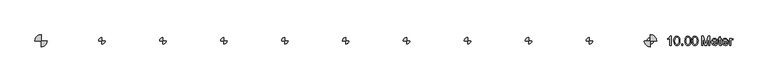
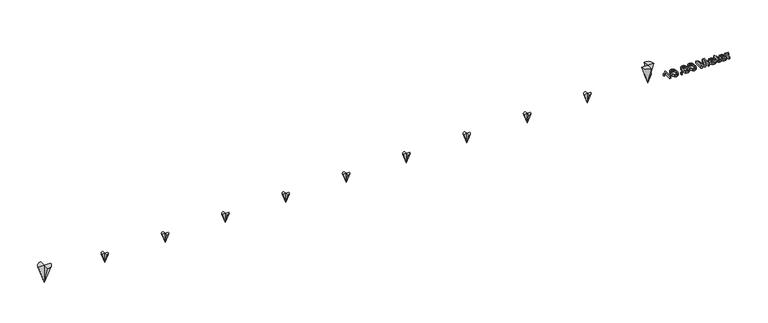
"""IFC4 building model written with IfcOpenShell, lengths in millimetres: proxy geometry."""

import ifcopenshell
import ifcopenshell.guid

model = None  # the IFC model being written
_history = None  # IfcOwnerHistory: only IFC2X3 demands one
_inside = {}  # id of a spatial element -> (the spatial element, [elements in it])
_under = {}  # id of a project, library or spatial element -> (it, [spatial elements below it])
_declared = {}  # id of a project -> (the project, [libraries it declares])
_typed = {}  # id of a type object -> (the type object, [elements of that type])
_made_of = {}  # id of a material, layer set ... -> (it, [elements and type objects made of it])


def new_model(schema):
    """Start an empty IFC model of exactly this schema.

    Asked for "IFC4X3", IfcOpenShell would pick the latest addendum, in which some entities
    have other attributes; the version numbers below select the first issue.
    IFC2X3 requires an IfcOwnerHistory on every rooted entity: one is made here for all.
    """
    global model, _history
    if schema == "IFC4X3":
        model = ifcopenshell.file(schema_version=(4, 3, 0, 0))
    else:
        model = ifcopenshell.file(schema=schema)
    _inside.clear()
    _under.clear()
    _declared.clear()
    _typed.clear()
    _made_of.clear()
    _history = None
    if model.schema == "IFC2X3":
        org = make("IfcOrganization", Name="unknown")
        user = make(
            "IfcPersonAndOrganization",
            ThePerson=make("IfcPerson", FamilyName="unknown"),
            TheOrganization=org,
        )
        app = make(
            "IfcApplication",
            ApplicationDeveloper=org,
            Version="unknown",
            ApplicationFullName="unknown",
            ApplicationIdentifier="unknown",
        )
        _history = make(
            "IfcOwnerHistory",
            OwningUser=user,
            OwningApplication=app,
            ChangeAction="ADDED",
            CreationDate=0,
        )
    return model


def make(cls, **values):
    """One entity of the class cls with the attributes given. An attribute that is None is left unset."""
    return model.create_entity(
        cls, **{name: value for name, value in values.items() if value is not None}
    )


def rooted(cls, **values):
    """An entity with a GlobalId (a new one), such as an element, a storey or a relation."""
    return make(cls, GlobalId=ifcopenshell.guid.new(), OwnerHistory=_history, **values)


def si_unit(unit_type, name, prefix=None):
    """IfcSIUnit, for example si_unit("LENGTHUNIT", "METRE", prefix="MILLI")."""
    return make("IfcSIUnit", UnitType=unit_type, Prefix=prefix, Name=name)


def assignment(units):
    """IfcUnitAssignment: the units of a project."""
    return None if units is None else make("IfcUnitAssignment", Units=units)


def point(xyz):
    """IfcCartesianPoint."""
    return None if xyz is None else make("IfcCartesianPoint", Coordinates=xyz)


def direction(xyz):
    """IfcDirection."""
    return None if xyz is None else make("IfcDirection", DirectionRatios=xyz)


def frame(location, z_axis=None, x_axis=None):
    """IfcAxis2Placement3D, a coordinate frame: its origin and axes. An axis left out is left unset."""
    return make(
        "IfcAxis2Placement3D",
        Location=point(location),
        Axis=direction(z_axis),
        RefDirection=direction(x_axis),
    )


def origin():
    """The frame at (0, 0, 0) with its axes left unset."""
    return frame((0.0, 0.0, 0.0))


def origin_with_axes():
    """The frame at (0, 0, 0) with the z axis (0, 0, 1) and the x axis (1, 0, 0) written out."""
    return frame((0.0, 0.0, 0.0), z_axis=(0.0, 0.0, 1.0), x_axis=(1.0, 0.0, 0.0))


def place(relative_to, where):
    """IfcLocalPlacement: puts the frame where relative to a parent placement (None: the world)."""
    return make(
        "IfcLocalPlacement", PlacementRelTo=relative_to, RelativePlacement=where
    )


def context(
    kind, dimensions, precision=None, world=None, true_north=None, identifier=None
):
    """IfcGeometricRepresentationContext, for example the 3D "Model" context."""
    return make(
        "IfcGeometricRepresentationContext",
        ContextIdentifier=identifier,
        ContextType=kind,
        CoordinateSpaceDimension=dimensions,
        Precision=precision,
        WorldCoordinateSystem=world,
        TrueNorth=true_north,
    )


def project(units=None, contexts=None):
    """IfcProject with its units and contexts."""
    return rooted(
        "IfcProject",
        Name="project",
        RepresentationContexts=contexts,
        UnitsInContext=assignment(units),
    )


def spatial(cls, under=None, at=None, **own):
    """A site, building, storey or space (cls), placed at a placement, below another one or the project."""
    s = rooted(cls, ObjectPlacement=at, **own)
    if under is not None:
        _under.setdefault(under.id(), (under, []))[1].append(s)
    return s


def polyline(points):
    """IfcPolyline through the points."""
    return make("IfcPolyline", Points=[point(p) for p in points])


def circle_curve(where, radius):
    """IfcCircle in the frame where."""
    return make("IfcCircle", Position=where, Radius=radius)


def outline(outer, holes=None, kind="AREA"):
    """IfcArbitraryClosedProfileDef: a profile drawn as a closed curve; with holes, ...WithVoids."""
    if holes is None:
        return make("IfcArbitraryClosedProfileDef", ProfileType=kind, OuterCurve=outer)
    return make(
        "IfcArbitraryProfileDefWithVoids",
        ProfileType=kind,
        OuterCurve=outer,
        InnerCurves=holes,
    )


def extrude(swept, where, along, depth):
    """IfcExtrudedAreaSolid: the profile swept, set in the frame where, extruded along a direction by depth."""
    return make(
        "IfcExtrudedAreaSolid",
        SweptArea=swept,
        Position=where,
        ExtrudedDirection=direction(along),
        Depth=depth,
    )


def shape(context_of_items, identifier, shape_type, items):
    """IfcShapeRepresentation: the items that make up one representation, for example the "Body"."""
    return make(
        "IfcShapeRepresentation",
        ContextOfItems=context_of_items,
        RepresentationIdentifier=identifier,
        RepresentationType=shape_type,
        Items=items,
    )


def source(mapping_origin, context_of_items, identifier, shape_type, items):
    """IfcRepresentationMap: a shape defined once, which mapped items show again and again."""
    return make(
        "IfcRepresentationMap",
        MappingOrigin=mapping_origin,
        MappedRepresentation=shape(context_of_items, identifier, shape_type, items),
    )


def transform(
    local_origin,
    x_axis=None,
    y_axis=None,
    z_axis=None,
    scale=None,
    scale2=None,
    scale3=None,
    uniform=True,
):
    """IfcCartesianTransformationOperator3D, or its non-uniform kind. x_axis, y_axis, z_axis: its Axis1, 2, 3."""
    if uniform:
        return make(
            "IfcCartesianTransformationOperator3D",
            Axis1=direction(x_axis),
            Axis2=direction(y_axis),
            LocalOrigin=point(local_origin),
            Scale=scale,
            Axis3=direction(z_axis),
        )
    return make(
        "IfcCartesianTransformationOperator3DnonUniform",
        Axis1=direction(x_axis),
        Axis2=direction(y_axis),
        LocalOrigin=point(local_origin),
        Scale=scale,
        Axis3=direction(z_axis),
        Scale2=scale2,
        Scale3=scale3,
    )


def mapped(mapping_source, mapping_target):
    """IfcMappedItem: shows the shape of a source again, moved by a transform."""
    return make(
        "IfcMappedItem", MappingSource=mapping_source, MappingTarget=mapping_target
    )


def made_of(thing, what):
    """Note that an element or type object is made of a material, layer set ...; save() writes the relation."""
    if what is not None:
        _made_of.setdefault(what.id(), (what, []))[1].append(thing)
    return thing


def element(
    cls,
    number,
    at=None,
    inside=None,
    cuts=None,
    type_object=None,
    material=None,
    context=None,
    identifier="Body",
    shape_type=None,
    held_by="IfcProductDefinitionShape",
    body=None,
    shapes=None,
    **own,
):
    """One element of the class cls, such as IfcWall. Its Tag is "e" and its number.

    at: its placement. inside: the storey or other place that contains it. cuts: it is an
    opening in that element (IfcRelVoidsElement). A single representation is given by context,
    identifier, shape_type and body (its items); several are given by shapes. held_by: the class
    of the entity that holds the representations. save() writes the other relations.
    """
    e = rooted(cls, Tag="e%d" % number, ObjectPlacement=at, **own)
    if body is not None:
        shapes = [shape(context, identifier, shape_type, body)]
    if shapes is not None:
        e.Representation = make(held_by, Representations=shapes)
    if inside is not None:
        _inside.setdefault(inside.id(), (inside, []))[1].append(e)
    if cuts is not None:
        rooted(
            "IfcRelVoidsElement", RelatingBuildingElement=cuts, RelatedOpeningElement=e
        )
    if type_object is not None:
        _typed.setdefault(type_object.id(), (type_object, []))[1].append(e)
    return made_of(e, material)


def aggregate(whole, parts):
    """IfcRelAggregates: a whole, such as a stair, and the parts it consists of."""
    return rooted("IfcRelAggregates", RelatingObject=whole, RelatedObjects=parts)


def save(model, path):
    """Write the relations noted so far, then the file.

    IfcRelAggregates (storeys below a building ...), IfcRelContainedInSpatialStructure (elements
    in a storey), IfcRelDefinesByType, IfcRelAssociatesMaterial and IfcRelDeclares: one each for
    every whole, place, type object, material and project.
    """
    for whole, parts in _under.values():
        aggregate(whole, parts)
    for where, things in _inside.values():
        rooted(
            "IfcRelContainedInSpatialStructure",
            RelatedElements=things,
            RelatingStructure=where,
        )
    for kind, things in _typed.values():
        rooted("IfcRelDefinesByType", RelatedObjects=things, RelatingType=kind)
    for what, things in _made_of.values():
        rooted("IfcRelAssociatesMaterial", RelatedObjects=things, RelatingMaterial=what)
    for by, libraries in _declared.values():
        rooted("IfcRelDeclares", RelatingContext=by, RelatedDefinitions=libraries)
    model.write(path)


def plane_surface(at):
    """IfcPlane: the flat surface through the origin of the frame at, square to its z axis."""
    return make("IfcPlane", Position=at)


def revolved_surface(curve, axis_point, axis_direction):
    """IfcSurfaceOfRevolution: the curve turned about the line through axis_point along axis_direction."""
    return make(
        "IfcSurfaceOfRevolution",
        SweptCurve=make("IfcArbitraryOpenProfileDef", ProfileType="CURVE", Curve=curve),
        AxisPosition=make("IfcAxis1Placement", Location=point(axis_point), Axis=direction(axis_direction)),
    )


def advanced_brep(points, edges, surfaces, faces):
    """IfcAdvancedBrep: a solid bounded by faces that lie on surfaces and meet in shared edges.

    An edge is (start, end): straight between two places in points (the first is 0);
    or (start, end, curve); or (start, end, curve, False) where it runs against its curve.
    A face is (place in surfaces, loops), or (place, loops, False) where it looks against
    its surface's normal. A loop lists edges by number (the first is 1), with a minus sign
    where the edge is run from its end to its start. The first loop is the outer one.
    """
    corners = [point(p) for p in points]
    vertices = [make("IfcVertexPoint", VertexGeometry=c) for c in corners]
    made = []
    for start, end, *more in edges:
        made.append(
            make(
                "IfcEdgeCurve",
                EdgeStart=vertices[start],
                EdgeEnd=vertices[end],
                EdgeGeometry=more[0] if more else make("IfcPolyline", Points=[corners[start], corners[end]]),
                SameSense=more[1] if len(more) > 1 else True,
            )
        )
    hull = []
    for where, loops, *sense in faces:
        bounds = []
        for j, loop in enumerate(loops):
            ring = [make("IfcOrientedEdge", EdgeElement=made[abs(k) - 1], Orientation=k > 0) for k in loop]
            bounds.append(
                make(
                    "IfcFaceOuterBound" if j == 0 else "IfcFaceBound",
                    Bound=make("IfcEdgeLoop", EdgeList=ring),
                    Orientation=True,
                )
            )
        hull.append(make("IfcAdvancedFace", Bounds=bounds, FaceSurface=surfaces[where], SameSense=sense[0] if sense else True))
    return make("IfcAdvancedBrep", Outer=make("IfcClosedShell", CfsFaces=hull))


def generic_models_77768164(model_context):
    return source(origin(), model_context, "Body", "SolidModel", [
        advanced_brep(
        [(9946.9713765, 0.0, 159.0858704), (10000.0, 53.0286235, 159.0858704), (10000.0, 0.0, 0.0), (10053.0286235, 0.0, 159.0858704), (10000.0, -53.0286235, 159.0858704), (10000.0, 0.0, 159.0858704)],
        [
            (0, 1, circle_curve(frame((10000.0, 0.0, 159.0858704), z_axis=(0.0, 0.0, -1.0), x_axis=(1.0, 0.0, 0.0)), 53.0286235)),
            (1, 2),
            (2, 0),
            (2, 3),
            (3, 4, circle_curve(frame((10000.0, 0.0, 159.0858704), z_axis=(0.0, 0.0, -1.0), x_axis=(1.0, 0.0, 0.0)), 53.0286235)),
            (4, 2),
            (0, 5),
            (5, 1),
            (3, 5),
            (5, 4),
            (5, 2),
            (5, 2),
        ],
        [
            revolved_surface(polyline([(10000.0, 0.0, 0.0), (10053.0286235, 0.0, 159.0858704)]), (10000.0, 0.0, 300.0), (0.0, 0.0, 1.0)),
            plane_surface(frame((10000.0, 0.0, 159.0858704), z_axis=(0.0, 0.0, 1.0), x_axis=(1.0, 0.0, 0.0))),
            plane_surface(frame((10000.0, 120.0, 345.9090809), z_axis=(1.0, 0.0, 0.0), x_axis=(0.0, 0.0, -1.0))),
            plane_surface(frame((10000.0, 0.0, 345.9090809), z_axis=(0.0, 1.0, 0.0), x_axis=(0.0, 0.0, -1.0))),
            plane_surface(frame((10000.0, -120.0, 345.9090809), z_axis=(-1.0, 0.0, 0.0), x_axis=(0.0, 0.0, -1.0))),
            plane_surface(frame((10000.0, 0.0, 345.9090809), z_axis=(0.0, -1.0, 0.0), x_axis=(0.0, 0.0, -1.0))),
        ],
        [
            (0, [[1, 2, 3]]),
            (0, [[4, 5, 6]]),
            (1, [[-1, 7, 8]]),
            (1, [[9, 10, -5]]),
            (2, [[11, -2, -8]]),
            (3, [[-11, -9, -4]]),
            (4, [[12, -6, -10]]),
            (5, [[-12, -7, -3]]),
        ],
    ),
        advanced_brep(
        [(8946.9713765, 0.0, 159.0858704), (9000.0, 53.0286235, 159.0858704), (9000.0, 0.0, 0.0), (9053.0286235, 0.0, 159.0858704), (9000.0, -53.0286235, 159.0858704), (9000.0, 0.0, 159.0858704)],
        [
            (0, 1, circle_curve(frame((9000.0, 0.0, 159.0858704), z_axis=(0.0, 0.0, -1.0), x_axis=(1.0, 0.0, 0.0)), 53.0286235)),
            (1, 2),
            (2, 0),
            (2, 3),
            (3, 4, circle_curve(frame((9000.0, 0.0, 159.0858704), z_axis=(0.0, 0.0, -1.0), x_axis=(1.0, 0.0, 0.0)), 53.0286235)),
            (4, 2),
            (0, 5),
            (5, 1),
            (3, 5),
            (5, 4),
            (5, 2),
            (5, 2),
        ],
        [
            revolved_surface(polyline([(9000.0, 0.0, 0.0), (9053.0286235, 0.0, 159.0858704)]), (9000.0, 0.0, 300.0), (0.0, 0.0, 1.0)),
            plane_surface(frame((9000.0, 0.0, 159.0858704), z_axis=(0.0, 0.0, 1.0), x_axis=(1.0, 0.0, 0.0))),
            plane_surface(frame((9000.0, 120.0, 345.9090809), z_axis=(1.0, 0.0, 0.0), x_axis=(0.0, 0.0, -1.0))),
            plane_surface(frame((9000.0, 0.0, 345.9090809), z_axis=(0.0, 1.0, 0.0), x_axis=(0.0, 0.0, -1.0))),
            plane_surface(frame((9000.0, -120.0, 345.9090809), z_axis=(-1.0, 0.0, 0.0), x_axis=(0.0, 0.0, -1.0))),
            plane_surface(frame((9000.0, 0.0, 345.9090809), z_axis=(0.0, -1.0, 0.0), x_axis=(0.0, 0.0, -1.0))),
        ],
        [
            (0, [[1, 2, 3]]),
            (0, [[4, 5, 6]]),
            (1, [[-1, 7, 8]]),
            (1, [[9, 10, -5]]),
            (2, [[11, -2, -8]]),
            (3, [[-11, -9, -4]]),
            (4, [[12, -6, -10]]),
            (5, [[-12, -7, -3]]),
        ],
    ),
        advanced_brep(
        [(7946.9713765, 0.0, 159.0858704), (8000.0, 53.0286235, 159.0858704), (8000.0, 0.0, 0.0), (8053.0286235, 0.0, 159.0858704), (8000.0, -53.0286235, 159.0858704), (8000.0, 0.0, 159.0858704)],
        [
            (0, 1, circle_curve(frame((8000.0, 0.0, 159.0858704), z_axis=(0.0, 0.0, -1.0), x_axis=(1.0, 0.0, 0.0)), 53.0286235)),
            (1, 2),
            (2, 0),
            (2, 3),
            (3, 4, circle_curve(frame((8000.0, 0.0, 159.0858704), z_axis=(0.0, 0.0, -1.0), x_axis=(1.0, 0.0, 0.0)), 53.0286235)),
            (4, 2),
            (0, 5),
            (5, 1),
            (3, 5),
            (5, 4),
            (5, 2),
            (5, 2),
        ],
        [
            revolved_surface(polyline([(8000.0, 0.0, 0.0), (8053.0286235, 0.0, 159.0858704)]), (8000.0, 0.0, 300.0), (0.0, 0.0, 1.0)),
            plane_surface(frame((8000.0, 0.0, 159.0858704), z_axis=(0.0, 0.0, 1.0), x_axis=(1.0, 0.0, 0.0))),
            plane_surface(frame((8000.0, 120.0, 345.9090809), z_axis=(1.0, 0.0, 0.0), x_axis=(0.0, 0.0, -1.0))),
            plane_surface(frame((8000.0, 0.0, 345.9090809), z_axis=(0.0, 1.0, 0.0), x_axis=(0.0, 0.0, -1.0))),
            plane_surface(frame((8000.0, -120.0, 345.9090809), z_axis=(-1.0, 0.0, 0.0), x_axis=(0.0, 0.0, -1.0))),
            plane_surface(frame((8000.0, 0.0, 345.9090809), z_axis=(0.0, -1.0, 0.0), x_axis=(0.0, 0.0, -1.0))),
        ],
        [
            (0, [[1, 2, 3]]),
            (0, [[4, 5, 6]]),
            (1, [[-1, 7, 8]]),
            (1, [[9, 10, -5]]),
            (2, [[11, -2, -8]]),
            (3, [[-11, -9, -4]]),
            (4, [[12, -6, -10]]),
            (5, [[-12, -7, -3]]),
        ],
    ),
        advanced_brep(
        [(6946.9713765, 0.0, 159.0858704), (7000.0, 53.0286235, 159.0858704), (7000.0, 0.0, 0.0), (7053.0286235, 0.0, 159.0858704), (7000.0, -53.0286235, 159.0858704), (7000.0, 0.0, 159.0858704)],
        [
            (0, 1, circle_curve(frame((7000.0, 0.0, 159.0858704), z_axis=(0.0, 0.0, -1.0), x_axis=(1.0, 0.0, 0.0)), 53.0286235)),
            (1, 2),
            (2, 0),
            (2, 3),
            (3, 4, circle_curve(frame((7000.0, 0.0, 159.0858704), z_axis=(0.0, 0.0, -1.0), x_axis=(1.0, 0.0, 0.0)), 53.0286235)),
            (4, 2),
            (0, 5),
            (5, 1),
            (3, 5),
            (5, 4),
            (5, 2),
            (5, 2),
        ],
        [
            revolved_surface(polyline([(7000.0, 0.0, 0.0), (7053.0286235, 0.0, 159.0858704)]), (7000.0, 0.0, 300.0), (0.0, 0.0, 1.0)),
            plane_surface(frame((7000.0, 0.0, 159.0858704), z_axis=(0.0, 0.0, 1.0), x_axis=(1.0, 0.0, 0.0))),
            plane_surface(frame((7000.0, 120.0, 345.9090809), z_axis=(1.0, 0.0, 0.0), x_axis=(0.0, 0.0, -1.0))),
            plane_surface(frame((7000.0, 0.0, 345.9090809), z_axis=(0.0, 1.0, 0.0), x_axis=(0.0, 0.0, -1.0))),
            plane_surface(frame((7000.0, -120.0, 345.9090809), z_axis=(-1.0, 0.0, 0.0), x_axis=(0.0, 0.0, -1.0))),
            plane_surface(frame((7000.0, 0.0, 345.9090809), z_axis=(0.0, -1.0, 0.0), x_axis=(0.0, 0.0, -1.0))),
        ],
        [
            (0, [[1, 2, 3]]),
            (0, [[4, 5, 6]]),
            (1, [[-1, 7, 8]]),
            (1, [[9, 10, -5]]),
            (2, [[11, -2, -8]]),
            (3, [[-11, -9, -4]]),
            (4, [[12, -6, -10]]),
            (5, [[-12, -7, -3]]),
        ],
    ),
        advanced_brep(
        [(5946.9713765, 0.0, 159.0858704), (6000.0, 53.0286235, 159.0858704), (6000.0, 0.0, 0.0), (6053.0286235, 0.0, 159.0858704), (6000.0, -53.0286235, 159.0858704), (6000.0, 0.0, 159.0858704)],
        [
            (0, 1, circle_curve(frame((6000.0, 0.0, 159.0858704), z_axis=(0.0, 0.0, -1.0), x_axis=(1.0, 0.0, 0.0)), 53.0286235)),
            (1, 2),
            (2, 0),
            (2, 3),
            (3, 4, circle_curve(frame((6000.0, 0.0, 159.0858704), z_axis=(0.0, 0.0, -1.0), x_axis=(1.0, 0.0, 0.0)), 53.0286235)),
            (4, 2),
            (0, 5),
            (5, 1),
            (3, 5),
            (5, 4),
            (5, 2),
            (5, 2),
        ],
        [
            revolved_surface(polyline([(6000.0, 0.0, 0.0), (6053.0286235, 0.0, 159.0858704)]), (6000.0, 0.0, 300.0), (0.0, 0.0, 1.0)),
            plane_surface(frame((6000.0, 0.0, 159.0858704), z_axis=(0.0, 0.0, 1.0), x_axis=(1.0, 0.0, 0.0))),
            plane_surface(frame((6000.0, 120.0, 345.9090809), z_axis=(1.0, 0.0, 0.0), x_axis=(0.0, 0.0, -1.0))),
            plane_surface(frame((6000.0, 0.0, 345.9090809), z_axis=(0.0, 1.0, 0.0), x_axis=(0.0, 0.0, -1.0))),
            plane_surface(frame((6000.0, -120.0, 345.9090809), z_axis=(-1.0, 0.0, 0.0), x_axis=(0.0, 0.0, -1.0))),
            plane_surface(frame((6000.0, 0.0, 345.9090809), z_axis=(0.0, -1.0, 0.0), x_axis=(0.0, 0.0, -1.0))),
        ],
        [
            (0, [[1, 2, 3]]),
            (0, [[4, 5, 6]]),
            (1, [[-1, 7, 8]]),
            (1, [[9, 10, -5]]),
            (2, [[11, -2, -8]]),
            (3, [[-11, -9, -4]]),
            (4, [[12, -6, -10]]),
            (5, [[-12, -7, -3]]),
        ],
    ),
        advanced_brep(
        [(4946.9713765, 0.0, 159.0858704), (5000.0, 53.0286235, 159.0858704), (5000.0, 0.0, 0.0), (5053.0286235, 0.0, 159.0858704), (5000.0, -53.0286235, 159.0858704), (5000.0, 0.0, 159.0858704)],
        [
            (0, 1, circle_curve(frame((5000.0, 0.0, 159.0858704), z_axis=(0.0, 0.0, -1.0), x_axis=(1.0, 0.0, 0.0)), 53.0286235)),
            (1, 2),
            (2, 0),
            (2, 3),
            (3, 4, circle_curve(frame((5000.0, 0.0, 159.0858704), z_axis=(0.0, 0.0, -1.0), x_axis=(1.0, 0.0, 0.0)), 53.0286235)),
            (4, 2),
            (0, 5),
            (5, 1),
            (3, 5),
            (5, 4),
            (5, 2),
            (5, 2),
        ],
        [
            revolved_surface(polyline([(5000.0, 0.0, 0.0), (5053.0286235, 0.0, 159.0858704)]), (5000.0, 0.0, 300.0), (0.0, 0.0, 1.0)),
            plane_surface(frame((5000.0, 0.0, 159.0858704), z_axis=(0.0, 0.0, 1.0), x_axis=(1.0, 0.0, 0.0))),
            plane_surface(frame((5000.0, 120.0, 345.9090809), z_axis=(1.0, 0.0, 0.0), x_axis=(0.0, 0.0, -1.0))),
            plane_surface(frame((5000.0, 0.0, 345.9090809), z_axis=(0.0, 1.0, 0.0), x_axis=(0.0, 0.0, -1.0))),
            plane_surface(frame((5000.0, -120.0, 345.9090809), z_axis=(-1.0, 0.0, 0.0), x_axis=(0.0, 0.0, -1.0))),
            plane_surface(frame((5000.0, 0.0, 345.9090809), z_axis=(0.0, -1.0, 0.0), x_axis=(0.0, 0.0, -1.0))),
        ],
        [
            (0, [[1, 2, 3]]),
            (0, [[4, 5, 6]]),
            (1, [[-1, 7, 8]]),
            (1, [[9, 10, -5]]),
            (2, [[11, -2, -8]]),
            (3, [[-11, -9, -4]]),
            (4, [[12, -6, -10]]),
            (5, [[-12, -7, -3]]),
        ],
    ),
        advanced_brep(
        [(3946.9713765, 0.0, 159.0858704), (4000.0, 53.0286235, 159.0858704), (4000.0, 0.0, 0.0), (4053.0286235, 0.0, 159.0858704), (4000.0, -53.0286235, 159.0858704), (4000.0, 0.0, 159.0858704)],
        [
            (0, 1, circle_curve(frame((4000.0, 0.0, 159.0858704), z_axis=(0.0, 0.0, -1.0), x_axis=(1.0, 0.0, 0.0)), 53.0286235)),
            (1, 2),
            (2, 0),
            (2, 3),
            (3, 4, circle_curve(frame((4000.0, 0.0, 159.0858704), z_axis=(0.0, 0.0, -1.0), x_axis=(1.0, 0.0, 0.0)), 53.0286235)),
            (4, 2),
            (0, 5),
            (5, 1),
            (3, 5),
            (5, 4),
            (5, 2),
            (5, 2),
        ],
        [
            revolved_surface(polyline([(4000.0, 0.0, 0.0), (4053.0286235, 0.0, 159.0858704)]), (4000.0, 0.0, 300.0), (0.0, 0.0, 1.0)),
            plane_surface(frame((4000.0, 0.0, 159.0858704), z_axis=(0.0, 0.0, 1.0), x_axis=(1.0, 0.0, 0.0))),
            plane_surface(frame((4000.0, 120.0, 345.9090809), z_axis=(1.0, 0.0, 0.0), x_axis=(0.0, 0.0, -1.0))),
            plane_surface(frame((4000.0, 0.0, 345.9090809), z_axis=(0.0, 1.0, 0.0), x_axis=(0.0, 0.0, -1.0))),
            plane_surface(frame((4000.0, -120.0, 345.9090809), z_axis=(-1.0, 0.0, 0.0), x_axis=(0.0, 0.0, -1.0))),
            plane_surface(frame((4000.0, 0.0, 345.9090809), z_axis=(0.0, -1.0, 0.0), x_axis=(0.0, 0.0, -1.0))),
        ],
        [
            (0, [[1, 2, 3]]),
            (0, [[4, 5, 6]]),
            (1, [[-1, 7, 8]]),
            (1, [[9, 10, -5]]),
            (2, [[11, -2, -8]]),
            (3, [[-11, -9, -4]]),
            (4, [[12, -6, -10]]),
            (5, [[-12, -7, -3]]),
        ],
    ),
        advanced_brep(
        [(2946.9713765, 0.0, 159.0858704), (3000.0, 53.0286235, 159.0858704), (3000.0, 0.0, 0.0), (3053.0286235, 0.0, 159.0858704), (3000.0, -53.0286235, 159.0858704), (3000.0, 0.0, 159.0858704)],
        [
            (0, 1, circle_curve(frame((3000.0, 0.0, 159.0858704), z_axis=(0.0, 0.0, -1.0), x_axis=(1.0, 0.0, 0.0)), 53.0286235)),
            (1, 2),
            (2, 0),
            (2, 3),
            (3, 4, circle_curve(frame((3000.0, 0.0, 159.0858704), z_axis=(0.0, 0.0, -1.0), x_axis=(1.0, 0.0, 0.0)), 53.0286235)),
            (4, 2),
            (0, 5),
            (5, 1),
            (3, 5),
            (5, 4),
            (5, 2),
            (5, 2),
        ],
        [
            revolved_surface(polyline([(3000.0, 0.0, 0.0), (3053.0286235, 0.0, 159.0858704)]), (3000.0, 0.0, 300.0), (0.0, 0.0, 1.0)),
            plane_surface(frame((3000.0, 0.0, 159.0858704), z_axis=(0.0, 0.0, 1.0), x_axis=(1.0, 0.0, 0.0))),
            plane_surface(frame((3000.0, 120.0, 345.9090809), z_axis=(1.0, 0.0, 0.0), x_axis=(0.0, 0.0, -1.0))),
            plane_surface(frame((3000.0, 0.0, 345.9090809), z_axis=(0.0, 1.0, 0.0), x_axis=(0.0, 0.0, -1.0))),
            plane_surface(frame((3000.0, -120.0, 345.9090809), z_axis=(-1.0, 0.0, 0.0), x_axis=(0.0, 0.0, -1.0))),
            plane_surface(frame((3000.0, 0.0, 345.9090809), z_axis=(0.0, -1.0, 0.0), x_axis=(0.0, 0.0, -1.0))),
        ],
        [
            (0, [[1, 2, 3]]),
            (0, [[4, 5, 6]]),
            (1, [[-1, 7, 8]]),
            (1, [[9, 10, -5]]),
            (2, [[11, -2, -8]]),
            (3, [[-11, -9, -4]]),
            (4, [[12, -6, -10]]),
            (5, [[-12, -7, -3]]),
        ],
    ),
        advanced_brep(
        [(1946.9713765, 0.0, 159.0858704), (2000.0, 53.0286235, 159.0858704), (2000.0, 0.0, 0.0), (2053.0286235, 0.0, 159.0858704), (2000.0, -53.0286235, 159.0858704), (2000.0, 0.0, 159.0858704)],
        [
            (0, 1, circle_curve(frame((2000.0, 0.0, 159.0858704), z_axis=(0.0, 0.0, -1.0), x_axis=(1.0, 0.0, 0.0)), 53.0286235)),
            (1, 2),
            (2, 0),
            (2, 3),
            (3, 4, circle_curve(frame((2000.0, 0.0, 159.0858704), z_axis=(0.0, 0.0, -1.0), x_axis=(1.0, 0.0, 0.0)), 53.0286235)),
            (4, 2),
            (0, 5),
            (5, 1),
            (3, 5),
            (5, 4),
            (5, 2),
            (5, 2),
        ],
        [
            revolved_surface(polyline([(2000.0, 0.0, 0.0), (2053.0286235, 0.0, 159.0858704)]), (2000.0, 0.0, 300.0), (0.0, 0.0, 1.0)),
            plane_surface(frame((2000.0, 0.0, 159.0858704), z_axis=(0.0, 0.0, 1.0), x_axis=(1.0, 0.0, 0.0))),
            plane_surface(frame((2000.0, 120.0, 345.9090809), z_axis=(1.0, 0.0, 0.0), x_axis=(0.0, 0.0, -1.0))),
            plane_surface(frame((2000.0, 0.0, 345.9090809), z_axis=(0.0, 1.0, 0.0), x_axis=(0.0, 0.0, -1.0))),
            plane_surface(frame((2000.0, -120.0, 345.9090809), z_axis=(-1.0, 0.0, 0.0), x_axis=(0.0, 0.0, -1.0))),
            plane_surface(frame((2000.0, 0.0, 345.9090809), z_axis=(0.0, -1.0, 0.0), x_axis=(0.0, 0.0, -1.0))),
        ],
        [
            (0, [[1, 2, 3]]),
            (0, [[4, 5, 6]]),
            (1, [[-1, 7, 8]]),
            (1, [[9, 10, -5]]),
            (2, [[11, -2, -8]]),
            (3, [[-11, -9, -4]]),
            (4, [[12, -6, -10]]),
            (5, [[-12, -7, -3]]),
        ],
    ),
        advanced_brep(
        [(946.9713765, 0.0, 159.0858704), (1000.0, 53.0286235, 159.0858704), (1000.0, 0.0, 0.0), (1053.0286235, 0.0, 159.0858704), (1000.0, -53.0286235, 159.0858704), (1000.0, 0.0, 159.0858704)],
        [
            (0, 1, circle_curve(frame((1000.0, 0.0, 159.0858704), z_axis=(0.0, 0.0, -1.0), x_axis=(1.0, 0.0, 0.0)), 53.0286235)),
            (1, 2),
            (2, 0),
            (2, 3),
            (3, 4, circle_curve(frame((1000.0, 0.0, 159.0858704), z_axis=(0.0, 0.0, -1.0), x_axis=(1.0, 0.0, 0.0)), 53.0286235)),
            (4, 2),
            (0, 5),
            (5, 1),
            (3, 5),
            (5, 4),
            (5, 2),
            (5, 2),
        ],
        [
            revolved_surface(polyline([(1000.0, 0.0, 0.0), (1053.0286235, 0.0, 159.0858704)]), (1000.0, 0.0, 300.0), (0.0, 0.0, 1.0)),
            plane_surface(frame((1000.0, 0.0, 159.0858704), z_axis=(0.0, 0.0, 1.0), x_axis=(1.0, 0.0, 0.0))),
            plane_surface(frame((1000.0, 120.0, 345.9090809), z_axis=(1.0, 0.0, 0.0), x_axis=(0.0, 0.0, -1.0))),
            plane_surface(frame((1000.0, 0.0, 345.9090809), z_axis=(0.0, 1.0, 0.0), x_axis=(0.0, 0.0, -1.0))),
            plane_surface(frame((1000.0, -120.0, 345.9090809), z_axis=(-1.0, 0.0, 0.0), x_axis=(0.0, 0.0, -1.0))),
            plane_surface(frame((1000.0, 0.0, 345.9090809), z_axis=(0.0, -1.0, 0.0), x_axis=(0.0, 0.0, -1.0))),
        ],
        [
            (0, [[1, 2, 3]]),
            (0, [[4, 5, 6]]),
            (1, [[-1, 7, 8]]),
            (1, [[9, 10, -5]]),
            (2, [[11, -2, -8]]),
            (3, [[-11, -9, -4]]),
            (4, [[12, -6, -10]]),
            (5, [[-12, -7, -3]]),
        ],
    ),
        advanced_brep(
        [(10000.0, -100.0, 300.0), (9900.0, 0.0, 300.0), (10000.0, 0.0, 0.0), (10000.0, 100.0, 300.0), (10100.0, 0.0, 300.0), (10000.0, 0.0, 300.0)],
        [
            (0, 1, circle_curve(frame((10000.0, 0.0, 300.0), z_axis=(0.0, 0.0, -1.0), x_axis=(0.0, 1.0, 0.0)), 100.0)),
            (1, 2),
            (2, 0),
            (2, 3),
            (3, 4, circle_curve(frame((10000.0, 0.0, 300.0), z_axis=(0.0, 0.0, -1.0), x_axis=(0.0, 1.0, 0.0)), 100.0)),
            (4, 2),
            (0, 5),
            (5, 1),
            (3, 5),
            (5, 4),
            (5, 2),
            (5, 2),
        ],
        [
            revolved_surface(polyline([(10000.0, 0.0, 0.0), (10000.0, 100.0, 300.0)]), (10000.0, 0.0, 300.0), (0.0, 0.0, 1.0)),
            plane_surface(frame((10000.0, 0.0, 300.0), z_axis=(0.0, 0.0, 1.0), x_axis=(0.0, 1.0, 0.0))),
            plane_surface(frame((9880.0, 0.0, 345.9090809), z_axis=(0.0, 1.0, 0.0), x_axis=(0.0, 0.0, -1.0))),
            plane_surface(frame((10000.0, 0.0, 345.9090809), z_axis=(-1.0, 0.0, 0.0), x_axis=(0.0, 0.0, -1.0))),
            plane_surface(frame((10120.0, 0.0, 345.9090809), z_axis=(0.0, -1.0, 0.0), x_axis=(0.0, 0.0, -1.0))),
            plane_surface(frame((10000.0, 0.0, 345.9090809), z_axis=(1.0, 0.0, 0.0), x_axis=(0.0, 0.0, -1.0))),
        ],
        [
            (0, [[1, 2, 3]]),
            (0, [[4, 5, 6]]),
            (1, [[-1, 7, 8]]),
            (1, [[9, 10, -5]]),
            (2, [[11, -2, -8]]),
            (3, [[-11, -9, -4]]),
            (4, [[12, -6, -10]]),
            (5, [[-12, -7, -3]]),
        ],
    ),
        advanced_brep(
        [(-100.0, 0.0, 300.0), (0.0, 100.0, 300.0), (0.0, 0.0, 0.0), (100.0, 0.0, 300.0), (0.0, -100.0, 300.0), (0.0, 0.0, 300.0)],
        [
            (0, 1, circle_curve(frame((0.0, 0.0, 300.0), z_axis=(0.0, 0.0, -1.0), x_axis=(1.0, 0.0, 0.0)), 100.0)),
            (1, 2),
            (2, 0),
            (2, 3),
            (3, 4, circle_curve(frame((0.0, 0.0, 300.0), z_axis=(0.0, 0.0, -1.0), x_axis=(1.0, 0.0, 0.0)), 100.0)),
            (4, 2),
            (0, 5),
            (5, 1),
            (3, 5),
            (5, 4),
            (5, 2),
            (5, 2),
        ],
        [
            revolved_surface(polyline([(0.0, 0.0, 0.0), (100.0, 0.0, 300.0)]), (0.0, 0.0, 300.0), (0.0, 0.0, 1.0)),
            plane_surface(frame((0.0, 0.0, 300.0), z_axis=(0.0, 0.0, 1.0), x_axis=(1.0, 0.0, 0.0))),
            plane_surface(frame((0.0, 120.0, 345.9090809), z_axis=(1.0, 0.0, 0.0), x_axis=(0.0, 0.0, -1.0))),
            plane_surface(frame((0.0, 0.0, 345.9090809), z_axis=(0.0, 1.0, 0.0), x_axis=(0.0, 0.0, -1.0))),
            plane_surface(frame((0.0, -120.0, 345.9090809), z_axis=(-1.0, 0.0, 0.0), x_axis=(0.0, 0.0, -1.0))),
            plane_surface(frame((0.0, 0.0, 345.9090809), z_axis=(0.0, -1.0, 0.0), x_axis=(0.0, 0.0, -1.0))),
        ],
        [
            (0, [[1, 2, 3]]),
            (0, [[4, 5, 6]]),
            (1, [[-1, 7, 8]]),
            (1, [[9, 10, -5]]),
            (2, [[11, -2, -8]]),
            (3, [[-11, -9, -4]]),
            (4, [[12, -6, -10]]),
            (5, [[-12, -7, -3]]),
        ],
    ),
        extrude(outline(polyline([(10510.9927293, -75.0), (10510.9927293, -56.1644418), (10529.8282875, -56.1644418), (10529.8282875, -75.0), (10510.9927293, -75.0)])), origin_with_axes(), (0.0, 0.0, 1.0), 35.0),
        extrude(outline(polyline([(10566.5749502, -0.871778), (10567.9591062, 23.2474853), (10572.1115743, 42.4831152), (10578.9909676, 57.1294171), (10588.5558995, 67.4806967), (10600.8753478, 73.6335231), (10616.0182904, 75.6844652), (10638.0176337, 70.8284229), (10653.2111601, 56.830513), (10662.040328, 34.5368641), (10665.4616305, -0.871778), (10664.0912701, -24.8530855), (10659.9801888, -44.0427301), (10653.1421822, -58.7028276), (10643.5910459, -69.095494), (10631.2440065, -75.2897071), (10616.0182904, -77.3544448), (10596.4469682, -73.7675953), (10581.5845356, -63.007047), (10570.3273466, -37.5220217), (10566.5749502, -0.871778)]), holes=[polyline([(10585.4105084, -0.8349898), (10587.6178004, -30.463286), (10594.2396763, -47.6111855), (10604.0989137, -55.7919613), (10616.0182904, -58.5188866), (10627.937667, -55.7827643), (10637.7969045, -47.5743973), (10644.4187804, -30.4173007), (10646.6260724, -0.8349898), (10644.4923568, 28.1265203), (10638.0912101, 45.407777), (10628.2503667, 53.9886246), (10615.7975612, 56.8489071), (10604.0069432, 54.3289154), (10594.5339819, 46.7689404), (10587.6913768, 28.4116288), (10585.4105084, -0.8349898)])]), origin_with_axes(), (0.0, 0.0, 1.0), 35.0),
        extrude(outline(polyline([(10681.9427439, -0.871778), (10683.3268999, 23.2474853), (10687.479368, 42.4831152), (10694.3587613, 57.1294171), (10703.9236931, 67.4806967), (10716.2431415, 73.6335231), (10731.3860841, 75.6844652), (10753.3854274, 70.8284229), (10768.5789538, 56.830513), (10777.4081217, 34.5368641), (10780.8294242, -0.871778), (10779.4590638, -24.8530855), (10775.3479825, -44.0427301), (10768.5099759, -58.7028276), (10758.9588396, -69.095494), (10746.6118002, -75.2897071), (10731.3860841, -77.3544448), (10711.8147619, -73.7675953), (10696.9523293, -63.007047), (10685.6951403, -37.5220217), (10681.9427439, -0.871778)]), holes=[polyline([(10700.7783021, -0.8349898), (10702.985594, -30.463286), (10709.60747, -47.6111855), (10719.4667074, -55.7919613), (10731.3860841, -58.5188866), (10743.3054607, -55.7827643), (10753.1646982, -47.5743973), (10759.7865741, -30.4173007), (10761.9938661, -0.8349898), (10759.8601505, 28.1265203), (10753.4590038, 45.407777), (10743.6181604, 53.9886246), (10731.1653549, 56.8489071), (10719.3747369, 54.3289154), (10709.9017756, 46.7689404), (10703.0591704, 28.4116288), (10700.7783021, -0.8349898)])]), origin_with_axes(), (0.0, 0.0, 1.0), 35.0),
        extrude(outline(polyline([(10838.6382845, -75.0), (10838.6382845, 75.6844652), (10870.9383237, 75.6844652), (10901.8404113, -30.5230668), (10908.0944052, -52.7063511), (10914.8266457, -28.6836568), (10945.1401221, 75.6844652), (10977.5505259, 75.6844652), (10977.5505259, -75.0), (10958.7149678, -75.0), (10958.7149678, 56.8489071), (10920.8599105, -75.0), (10895.3656882, -75.0), (10857.4738427, 56.8489071), (10857.4738427, -75.0), (10838.6382845, -75.0)])), origin_with_axes(), (0.0, 0.0, 1.0), 35.0),
        extrude(outline(polyline([(11085.6342561, -42.0377732), (11104.1019323, -44.392218), (11097.4478667, -58.3073545), (11086.8298726, -68.7092179), (11072.4870733, -75.193138), (11054.6585921, -77.3544448), (11032.5580813, -73.625041), (11015.552736, -62.4368299), (11004.7094142, -44.5163782), (11001.0949736, -20.5902529), (11004.7462024, 4.1406142), (11015.6998888, 22.6358815), (11032.4753078, 34.1689821), (11053.5917343, 38.0133489), (11074.0505718, 34.1781791), (11090.3983279, 22.6726697), (11101.1174896, 4.2141906), (11104.6905435, -20.4798883), (11104.5801789, -25.5566598), (11019.9305318, -25.5566598), (11023.190886, -39.6557373), (11030.7646565, -50.0208125), (11041.6953503, -56.3943681), (11055.0264741, -58.5188866), (11073.4941503, -54.5825493), (11085.6342561, -42.0377732)]), holes=[polyline([(11019.9305318, -6.7211017), (11085.8549853, -6.7211017), (11083.3074025, 3.2301063), (11078.3134044, 10.3486229), (11067.3321268, 16.9704988), (11053.5181579, 19.1777908), (11040.8216306, 17.4165557), (11030.3231981, 12.1328506), (11023.0253391, 3.8968924), (11019.9305318, -6.7211017)])]), origin_with_axes(), (0.0, 0.0, 1.0), 35.0),
        extrude(outline(polyline([(11163.5516627, -59.2914388), (11165.9061075, -75.551823), (11151.816227, -77.3544448), (11136.0340894, -74.2274478), (11128.1614147, -66.0236793), (11125.8805464, -44.6497354), (11125.8805464, 16.823346), (11111.7538778, 16.823346), (11111.7538778, 35.6589041), (11125.8805464, 35.6589041), (11125.8805464, 62.551078), (11144.7161045, 73.6243261), (11144.7161045, 35.6589041), (11163.5516627, 35.6589041), (11163.5516627, 16.823346), (11144.7161045, 16.823346), (11144.7161045, -44.0979124), (11145.7093859, -53.8099971), (11148.9283534, -57.2496937), (11155.3478942, -58.5188866), (11163.5516627, -59.2914388)])), origin_with_axes(), (0.0, 0.0, 1.0), 35.0),
        extrude(outline(polyline([(11259.863169, -42.0377732), (11278.3308452, -44.392218), (11271.6767796, -58.3073545), (11261.0587855, -68.7092179), (11246.7159862, -75.193138), (11228.887505, -77.3544448), (11206.7869942, -73.625041), (11189.7816489, -62.4368299), (11178.9383271, -44.5163782), (11175.3238865, -20.5902529), (11178.9751153, 4.1406142), (11189.9288017, 22.6358815), (11206.7042207, 34.1689821), (11227.8206472, 38.0133489), (11248.2794847, 34.1781791), (11264.6272409, 22.6726697), (11275.3464025, 4.2141906), (11278.9194564, -20.4798883), (11278.8090918, -25.5566598), (11194.1594447, -25.5566598), (11197.4197989, -39.6557373), (11204.9935694, -50.0208125), (11215.9242632, -56.3943681), (11229.255387, -58.5188866), (11247.7230632, -54.5825493), (11259.863169, -42.0377732)]), holes=[polyline([(11194.1594447, -6.7211017), (11260.0838982, -6.7211017), (11257.5363154, 3.2301063), (11252.5423173, 10.3486229), (11241.5610398, 16.9704988), (11227.7470708, 19.1777908), (11215.0505435, 17.4165557), (11204.552111, 12.1328506), (11197.254252, 3.8968924), (11194.1594447, -6.7211017)])]), origin_with_axes(), (0.0, 0.0, 1.0), 35.0),
        extrude(outline(polyline([(11297.7550145, -75.0), (11297.7550145, 35.6589041), (11314.2361279, 35.6589041), (11314.2361279, 19.2881554), (11325.9347754, 34.3713172), (11337.7069992, 38.0133489), (11356.6161338, 32.2008134), (11350.3253516, 15.3150298), (11337.0815998, 19.1777908), (11326.4314161, 15.4621826), (11319.6439932, 5.1614867), (11316.5905727, -16.8378566), (11316.5905727, -75.0), (11297.7550145, -75.0)])), origin_with_axes(), (0.0, 0.0, 1.0), 35.0),
        extrude(outline(polyline([(10339.1783234, -75.0), (10320.3427652, -75.0), (10320.3427652, 42.4279329), (10302.5004885, 29.7176099), (10282.6716489, 20.2078604), (10282.6716489, 38.0133489), (10310.2811927, 55.6348965), (10327.0382175, 75.6844652), (10339.1783234, 75.6844652), (10339.1783234, -75.0)])), origin_with_axes(), (0.0, 0.0, 1.0), 35.0),
        extrude(outline(polyline([(10383.912774, -0.871778), (10385.29693, 23.2474853), (10389.449398, 42.4831152), (10396.3287913, 57.1294171), (10405.8937232, 67.4806967), (10418.2131715, 73.6335231), (10433.3561142, 75.6844652), (10455.3554575, 70.8284229), (10470.5489839, 56.830513), (10479.3781517, 34.5368641), (10482.7994543, -0.871778), (10481.4290939, -24.8530855), (10477.3180126, -44.0427301), (10470.480006, -58.7028276), (10460.9288697, -69.095494), (10448.5818302, -75.2897071), (10433.3561142, -77.3544448), (10413.784792, -73.7675953), (10398.9223594, -63.007047), (10387.6651704, -37.5220217), (10383.912774, -0.871778)]), holes=[polyline([(10402.7483322, -0.8349898), (10404.9556241, -30.463286), (10411.5775, -47.6111855), (10421.4367375, -55.7919613), (10433.3561142, -58.5188866), (10445.2754908, -55.7827643), (10455.1347283, -47.5743973), (10461.7566042, -30.4173007), (10463.9638962, -0.8349898), (10461.8301806, 28.1265203), (10455.4290339, 45.407777), (10445.5881905, 53.9886246), (10433.135385, 56.8489071), (10421.344767, 54.3289154), (10411.8718056, 46.7689404), (10405.0292005, 28.4116288), (10402.7483322, -0.8349898)])]), origin_with_axes(), (0.0, 0.0, 1.0), 35.0),
    ])


if __name__ == "__main__":
    model = new_model("IFC4")
    model_context = context("Model", 3, world=origin())
    ifc_project = project(units=[si_unit("LENGTHUNIT", "METRE", prefix="MILLI")], contexts=[model_context])
    site = spatial("IfcSite", under=ifc_project)
    building = spatial("IfcBuilding", under=site)
    placement = place(None, origin())
    generic_models_shape = generic_models_77768164(model_context)
    element("IfcBuildingElementProxy", 1, Name="Generic Models", at=placement, inside=building, context=model_context, shape_type="MappedRepresentation", body=[
        mapped(generic_models_shape, transform((0.0, 0.0, 0.0), x_axis=(1.0, 0.0, 0.0), y_axis=(0.0, 1.0, 0.0), z_axis=(0.0, 0.0, 1.0))),
    ])
    save(model, "model.ifc")
